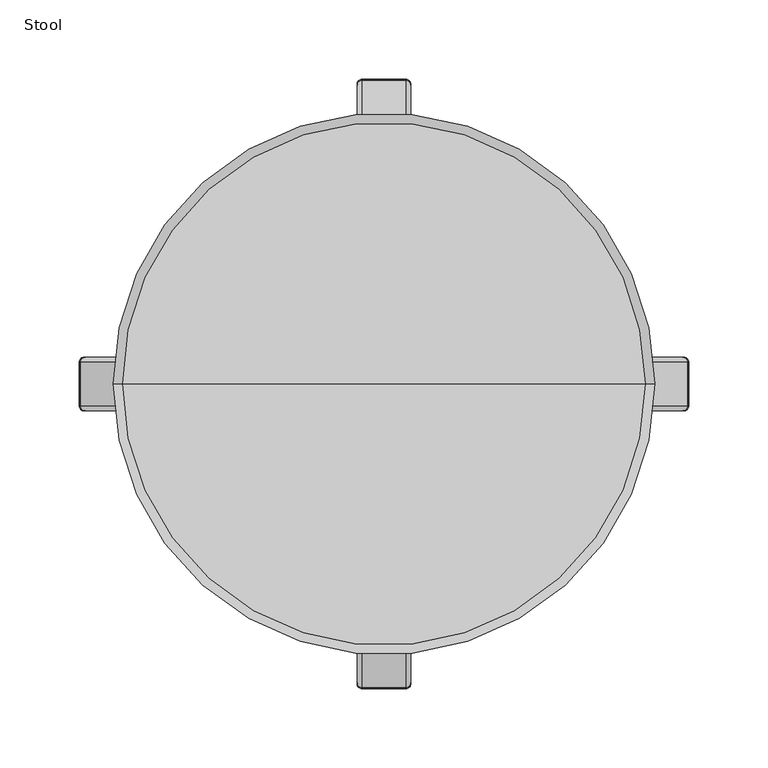
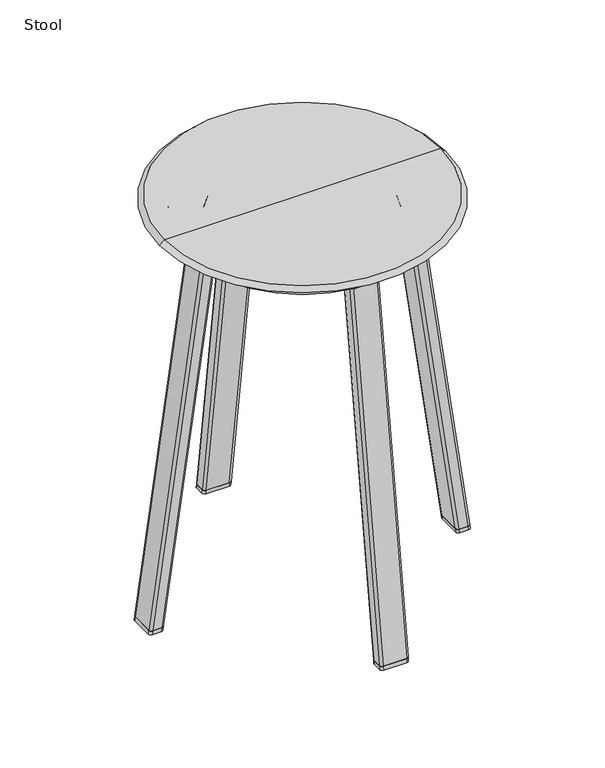
"""IFC4 building model written with IfcOpenShell, lengths in millimetres: furniture geometry, Stool."""

from ifc_helpers import new_model, si_unit, point, frame, origin, place, context, project, spatial, polyline, circle_curve, ellipse_curve, trimmed, source, transform, mapped, element, save
from ifc_brep_helpers import plane_surface, cylinder_surface, revolved_surface, extruded_surface, advanced_brep


def stool_6dc8def7(model_context):
    return source(origin(), model_context, "Body", "AdvancedBrep", [
        advanced_brep(
        [(-175.25228, -13.7705668, 0.0), (-178.4821246, -17.0004114, 0.0), (-189.2956665, -17.0004114, 0.0), (-192.4322437, -13.8638342, 0.0), (-192.4322437, 13.8638342, 0.0), (-189.2956665, 17.0004114, 0.0), (-178.4821246, 17.0004114, 0.0), (-175.25228, 13.7705668, 0.0), (-174.6401717, -13.7705668, 4.4892461), (-174.6401717, 13.7705668, 4.4892461), (-177.8700163, 17.0004114, 4.4892461), (-188.6835582, 17.0004114, 4.4892461), (-191.8201353, 13.8638342, 4.4892461), (-191.8201353, -13.8638342, 4.4892461), (-188.6835582, -17.0004114, 4.4892461), (-177.8700163, -17.0004114, 4.4892461)],
        [
            (0, 1, circle_curve(frame((-178.4821246, -13.7705668, 0.0), z_axis=(0.0, 0.0, -1.0), x_axis=(1.0, 0.0, 0.0)), 3.2298446)),
            (1, 2),
            (2, 3, circle_curve(frame((-189.2956665, -13.8638342, 0.0), z_axis=(0.0, 0.0, -1.0), x_axis=(1.0, 0.0, 0.0)), 3.1365771)),
            (3, 4),
            (4, 5, circle_curve(frame((-189.2956665, 13.8638342, 0.0), z_axis=(0.0, 0.0, -1.0), x_axis=(1.0, 0.0, 0.0)), 3.1365771)),
            (5, 6),
            (6, 7, circle_curve(frame((-178.4821246, 13.7705668, 0.0), z_axis=(0.0, 0.0, -1.0), x_axis=(1.0, 0.0, 0.0)), 3.2298446)),
            (7, 0),
            (8, 9),
            (9, 10, circle_curve(frame((-177.8700163, 13.7705668, 4.4892461), z_axis=(0.0, 0.0, 1.0), x_axis=(1.0, 0.0, 0.0)), 3.2298446)),
            (10, 11),
            (11, 12, circle_curve(frame((-188.6835582, 13.8638342, 4.4892461), z_axis=(0.0, 0.0, 1.0), x_axis=(1.0, 0.0, 0.0)), 3.1365771)),
            (12, 13),
            (13, 14, circle_curve(frame((-188.6835582, -13.8638342, 4.4892461), z_axis=(0.0, 0.0, 1.0), x_axis=(1.0, 0.0, 0.0)), 3.1365771)),
            (14, 15),
            (15, 8, circle_curve(frame((-177.8700163, -13.7705668, 4.4892461), z_axis=(0.0, 0.0, 1.0), x_axis=(1.0, 0.0, 0.0)), 3.2298446)),
            (7, 9),
            (8, 0),
            (6, 10),
            (5, 11),
            (4, 12),
            (3, 13),
            (2, 14),
            (1, 15),
        ],
        [
            plane_surface(frame((-183.8655787, 0.0, 0.0), z_axis=(0.0, 0.0, -1.0), x_axis=(-1.0, 0.0, 0.0))),
            plane_surface(frame((-183.2534704, 0.0, 4.4892461), z_axis=(0.0, 0.0, 1.0), x_axis=(-1.0, 0.0, 0.0))),
            plane_surface(frame((-174.6401717, 0.0, 4.4892461), z_axis=(0.9908319872190948, 0.0, -0.13509986344722733), x_axis=(0.0, -1.0, 0.0))),
            extruded_surface(trimmed(circle_curve(frame((-177.8700163, 13.7705668, 4.4892461), z_axis=(0.0, 0.0, -1.0), x_axis=(1.0, 0.0, 0.0)), 3.2298446), [point((-177.8700163, 17.0004114, 4.4892461))], [point((-174.6401717, 13.7705668, 4.4892461))], True, "CARTESIAN"), (-0.6121082999999885, 0.0, -4.4892461), 4.5307843821234846),
            plane_surface(frame((-183.2767872, 17.0004114, 4.4892461), z_axis=(0.0, 1.0, 0.0), x_axis=(1.0, 0.0, 0.0))),
            extruded_surface(trimmed(circle_curve(frame((-188.6835582, 13.8638342, 4.4892461), z_axis=(0.0, 0.0, -1.0), x_axis=(1.0, 0.0, 0.0)), 3.1365771), [point((-191.8201353, 13.8638342, 4.4892461))], [point((-188.6835582, 17.0004114, 4.4892461))], True, "CARTESIAN"), (-0.6121083000000169, 0.0, -4.4892461), 4.530784382123488),
            plane_surface(frame((-191.8201353, 0.0, 4.4892461), z_axis=(-0.9908319872190948, 0.0, 0.13509986344722733), x_axis=(0.0, 1.0, 0.0))),
            extruded_surface(trimmed(circle_curve(frame((-188.6835582, -13.8638342, 4.4892461), z_axis=(0.0, 0.0, -1.0), x_axis=(1.0, 0.0, 0.0)), 3.1365771), [point((-188.6835582, -17.0004114, 4.4892461))], [point((-191.8201353, -13.8638342, 4.4892461))], True, "CARTESIAN"), (-0.6121083000000169, 0.0, -4.4892461), 4.530784382123488),
            plane_surface(frame((-183.2767872, -17.0004114, 4.4892461), z_axis=(0.0, -1.0, 0.0), x_axis=(-1.0, 0.0, 0.0))),
            extruded_surface(trimmed(circle_curve(frame((-177.8700163, -13.7705668, 4.4892461), z_axis=(0.0, 0.0, -1.0), x_axis=(1.0, 0.0, 0.0)), 3.2298446), [point((-174.6401717, -13.7705668, 4.4892461))], [point((-177.8700163, -17.0004114, 4.4892461))], True, "CARTESIAN"), (-0.6121082999999885, 0.0, -4.4892461), 4.5307843821234846),
        ],
        [
            (0, [[1, 2, 3, 4, 5, 6, 7, 8]]),
            (1, [[9, 10, 11, 12, 13, 14, 15, 16]]),
            (2, [[-8, 17, -9, 18]]),
            (3, [[-7, 19, -10, -17]]),
            (4, [[-6, 20, -11, -19]]),
            (5, [[-5, 21, -12, -20]]),
            (6, [[-4, 22, -13, -21]]),
            (7, [[-3, 23, -14, -22]]),
            (8, [[-2, 24, -15, -23]]),
            (9, [[-1, -18, -16, -24]]),
        ],
    ),
        advanced_brep(
        [(13.7705668, 175.25228, 0.0), (-13.7705668, 175.25228, 0.0), (-17.0004114, 178.4821246, 0.0), (-17.0004114, 189.2956665, 0.0), (-13.8638342, 192.4322437, 0.0), (13.8638342, 192.4322437, 0.0), (17.0004114, 189.2956665, 0.0), (17.0004114, 178.4821246, 0.0), (13.7705668, 174.6401717, 4.4892461), (17.0004114, 177.8700163, 4.4892461), (17.0004114, 188.6835582, 4.4892461), (13.8638342, 191.8201353, 4.4892461), (-13.8638342, 191.8201353, 4.4892461), (-17.0004114, 188.6835582, 4.4892461), (-17.0004114, 177.8700163, 4.4892461), (-13.7705668, 174.6401717, 4.4892461)],
        [
            (0, 1),
            (1, 2, circle_curve(frame((-13.7705668, 178.4821246, 0.0), z_axis=(0.0, 0.0, -1.0), x_axis=(0.0, -1.0, 0.0)), 3.2298446)),
            (2, 3),
            (3, 4, circle_curve(frame((-13.8638342, 189.2956665, 0.0), z_axis=(0.0, 0.0, -1.0), x_axis=(0.0, -1.0, 0.0)), 3.1365771)),
            (4, 5),
            (5, 6, circle_curve(frame((13.8638342, 189.2956665, 0.0), z_axis=(0.0, 0.0, -1.0), x_axis=(0.0, -1.0, 0.0)), 3.1365771)),
            (6, 7),
            (7, 0, circle_curve(frame((13.7705668, 178.4821246, 0.0), z_axis=(0.0, 0.0, -1.0), x_axis=(0.0, -1.0, 0.0)), 3.2298446)),
            (8, 9, circle_curve(frame((13.7705668, 177.8700163, 4.4892461), z_axis=(0.0, 0.0, 1.0), x_axis=(0.0, -1.0, 0.0)), 3.2298446)),
            (9, 10),
            (10, 11, circle_curve(frame((13.8638342, 188.6835582, 4.4892461), z_axis=(0.0, 0.0, 1.0), x_axis=(0.0, -1.0, 0.0)), 3.1365771)),
            (11, 12),
            (12, 13, circle_curve(frame((-13.8638342, 188.6835582, 4.4892461), z_axis=(0.0, 0.0, 1.0), x_axis=(0.0, -1.0, 0.0)), 3.1365771)),
            (13, 14),
            (14, 15, circle_curve(frame((-13.7705668, 177.8700163, 4.4892461), z_axis=(0.0, 0.0, 1.0), x_axis=(0.0, -1.0, 0.0)), 3.2298446)),
            (15, 8),
            (0, 8),
            (15, 1),
            (14, 2),
            (13, 3),
            (12, 4),
            (11, 5),
            (10, 6),
            (9, 7),
        ],
        [
            plane_surface(frame((0.0, 183.8655787, 0.0), z_axis=(0.0, 0.0, -1.0), x_axis=(0.0, -1.0, 0.0))),
            plane_surface(frame((0.0, 183.2534704, 4.4892461), z_axis=(0.0, 0.0, 1.0), x_axis=(0.0, -1.0, 0.0))),
            plane_surface(frame((0.0, 174.6401717, 4.4892461), z_axis=(0.0, -0.9908319872190948, -0.13509986344722733), x_axis=(-1.0, 0.0, 0.0))),
            extruded_surface(trimmed(circle_curve(frame((-13.7705668, 177.8700163, 4.4892461), z_axis=(0.0, 0.0, -1.0), x_axis=(0.0, -1.0, 0.0)), 3.2298446), [point((-13.7705668, 174.6401717, 4.4892461))], [point((-17.0004114, 177.8700163, 4.4892461))], True, "CARTESIAN"), (0.0, 0.6121082999999885, -4.4892461), 4.5307843821234846),
            plane_surface(frame((-17.0004114, 183.2767872, 4.4892461), z_axis=(-1.0, 0.0, 0.0), x_axis=(0.0, 1.0, 0.0))),
            extruded_surface(trimmed(circle_curve(frame((-13.8638342, 188.6835582, 4.4892461), z_axis=(0.0, 0.0, -1.0), x_axis=(0.0, -1.0, 0.0)), 3.1365771), [point((-17.0004114, 188.6835582, 4.4892461))], [point((-13.8638342, 191.8201353, 4.4892461))], True, "CARTESIAN"), (0.0, 0.6121083000000169, -4.4892461), 4.530784382123488),
            plane_surface(frame((0.0, 191.8201353, 4.4892461), z_axis=(0.0, 0.9908319872190948, 0.13509986344722733), x_axis=(1.0, 0.0, 0.0))),
            extruded_surface(trimmed(circle_curve(frame((13.8638342, 188.6835582, 4.4892461), z_axis=(0.0, 0.0, -1.0), x_axis=(0.0, -1.0, 0.0)), 3.1365771), [point((13.8638342, 191.8201353, 4.4892461))], [point((17.0004114, 188.6835582, 4.4892461))], True, "CARTESIAN"), (0.0, 0.6121083000000169, -4.4892461), 4.530784382123488),
            plane_surface(frame((17.0004114, 183.2767872, 4.4892461), z_axis=(1.0, 0.0, 0.0), x_axis=(0.0, -1.0, 0.0))),
            extruded_surface(trimmed(circle_curve(frame((13.7705668, 177.8700163, 4.4892461), z_axis=(0.0, 0.0, -1.0), x_axis=(0.0, -1.0, 0.0)), 3.2298446), [point((17.0004114, 177.8700163, 4.4892461))], [point((13.7705668, 174.6401717, 4.4892461))], True, "CARTESIAN"), (0.0, 0.6121082999999885, -4.4892461), 4.5307843821234846),
        ],
        [
            (0, [[1, 2, 3, 4, 5, 6, 7, 8]]),
            (1, [[9, 10, 11, 12, 13, 14, 15, 16]]),
            (2, [[-1, 17, -16, 18]]),
            (3, [[-2, -18, -15, 19]]),
            (4, [[-3, -19, -14, 20]]),
            (5, [[-4, -20, -13, 21]]),
            (6, [[-5, -21, -12, 22]]),
            (7, [[-6, -22, -11, 23]]),
            (8, [[-7, -23, -10, 24]]),
            (9, [[-8, -24, -9, -17]]),
        ],
    ),
        advanced_brep(
        [(13.7705668, -175.25228, 0.0), (17.0004114, -178.4821246, 0.0), (17.0004114, -189.2956665, 0.0), (13.8638342, -192.4322437, 0.0), (-13.8638342, -192.4322437, 0.0), (-17.0004114, -189.2956665, 0.0), (-17.0004114, -178.4821246, 0.0), (-13.7705668, -175.25228, 0.0), (13.7705668, -174.6401717, 4.4892461), (-13.7705668, -174.6401717, 4.4892461), (-17.0004114, -177.8700163, 4.4892461), (-17.0004114, -188.6835582, 4.4892461), (-13.8638342, -191.8201353, 4.4892461), (13.8638342, -191.8201353, 4.4892461), (17.0004114, -188.6835582, 4.4892461), (17.0004114, -177.8700163, 4.4892461)],
        [
            (0, 1, circle_curve(frame((13.7705668, -178.4821246, 0.0), z_axis=(0.0, 0.0, -1.0), x_axis=(0.0, 1.0, 0.0)), 3.2298446)),
            (1, 2),
            (2, 3, circle_curve(frame((13.8638342, -189.2956665, 0.0), z_axis=(0.0, 0.0, -1.0), x_axis=(0.0, 1.0, 0.0)), 3.1365771)),
            (3, 4),
            (4, 5, circle_curve(frame((-13.8638342, -189.2956665, 0.0), z_axis=(0.0, 0.0, -1.0), x_axis=(0.0, 1.0, 0.0)), 3.1365771)),
            (5, 6),
            (6, 7, circle_curve(frame((-13.7705668, -178.4821246, 0.0), z_axis=(0.0, 0.0, -1.0), x_axis=(0.0, 1.0, 0.0)), 3.2298446)),
            (7, 0),
            (8, 9),
            (9, 10, circle_curve(frame((-13.7705668, -177.8700163, 4.4892461), z_axis=(0.0, 0.0, 1.0), x_axis=(0.0, 1.0, 0.0)), 3.2298446)),
            (10, 11),
            (11, 12, circle_curve(frame((-13.8638342, -188.6835582, 4.4892461), z_axis=(0.0, 0.0, 1.0), x_axis=(0.0, 1.0, 0.0)), 3.1365771)),
            (12, 13),
            (13, 14, circle_curve(frame((13.8638342, -188.6835582, 4.4892461), z_axis=(0.0, 0.0, 1.0), x_axis=(0.0, 1.0, 0.0)), 3.1365771)),
            (14, 15),
            (15, 8, circle_curve(frame((13.7705668, -177.8700163, 4.4892461), z_axis=(0.0, 0.0, 1.0), x_axis=(0.0, 1.0, 0.0)), 3.2298446)),
            (7, 9),
            (8, 0),
            (6, 10),
            (5, 11),
            (4, 12),
            (3, 13),
            (2, 14),
            (1, 15),
        ],
        [
            plane_surface(frame((0.0, -183.8655787, 0.0), z_axis=(0.0, 0.0, -1.0), x_axis=(0.0, -1.0, 0.0))),
            plane_surface(frame((0.0, -183.2534704, 4.4892461), z_axis=(0.0, 0.0, 1.0), x_axis=(0.0, -1.0, 0.0))),
            plane_surface(frame((0.0, -174.6401717, 4.4892461), z_axis=(0.0, 0.9908319872190948, -0.13509986344722733), x_axis=(1.0, 0.0, 0.0))),
            extruded_surface(trimmed(circle_curve(frame((-13.7705668, -177.8700163, 4.4892461), z_axis=(0.0, 0.0, -1.0), x_axis=(0.0, 1.0, 0.0)), 3.2298446), [point((-17.0004114, -177.8700163, 4.4892461))], [point((-13.7705668, -174.6401717, 4.4892461))], True, "CARTESIAN"), (0.0, -0.6121082999999885, -4.4892461), 4.5307843821234846),
            plane_surface(frame((-17.0004114, -183.2767872, 4.4892461), z_axis=(-1.0, 0.0, 0.0), x_axis=(0.0, 1.0, 0.0))),
            extruded_surface(trimmed(circle_curve(frame((-13.8638342, -188.6835582, 4.4892461), z_axis=(0.0, 0.0, -1.0), x_axis=(0.0, 1.0, 0.0)), 3.1365771), [point((-13.8638342, -191.8201353, 4.4892461))], [point((-17.0004114, -188.6835582, 4.4892461))], True, "CARTESIAN"), (0.0, -0.6121083000000169, -4.4892461), 4.530784382123488),
            plane_surface(frame((0.0, -191.8201353, 4.4892461), z_axis=(0.0, -0.9908319872190948, 0.13509986344722733), x_axis=(-1.0, 0.0, 0.0))),
            extruded_surface(trimmed(circle_curve(frame((13.8638342, -188.6835582, 4.4892461), z_axis=(0.0, 0.0, -1.0), x_axis=(0.0, 1.0, 0.0)), 3.1365771), [point((17.0004114, -188.6835582, 4.4892461))], [point((13.8638342, -191.8201353, 4.4892461))], True, "CARTESIAN"), (0.0, -0.6121083000000169, -4.4892461), 4.530784382123488),
            plane_surface(frame((17.0004114, -183.2767872, 4.4892461), z_axis=(1.0, 0.0, 0.0), x_axis=(0.0, -1.0, 0.0))),
            extruded_surface(trimmed(circle_curve(frame((13.7705668, -177.8700163, 4.4892461), z_axis=(0.0, 0.0, -1.0), x_axis=(0.0, 1.0, 0.0)), 3.2298446), [point((13.7705668, -174.6401717, 4.4892461))], [point((17.0004114, -177.8700163, 4.4892461))], True, "CARTESIAN"), (0.0, -0.6121082999999885, -4.4892461), 4.5307843821234846),
        ],
        [
            (0, [[1, 2, 3, 4, 5, 6, 7, 8]]),
            (1, [[9, 10, 11, 12, 13, 14, 15, 16]]),
            (2, [[-8, 17, -9, 18]]),
            (3, [[-7, 19, -10, -17]]),
            (4, [[-6, 20, -11, -19]]),
            (5, [[-5, 21, -12, -20]]),
            (6, [[-4, 22, -13, -21]]),
            (7, [[-3, 23, -14, -22]]),
            (8, [[-2, 24, -15, -23]]),
            (9, [[-1, -18, -16, -24]]),
        ],
    ),
        advanced_brep(
        [(175.25228, -13.7705668, 0.0), (175.25228, 13.7705668, 0.0), (178.4821246, 17.0004114, 0.0), (189.2956665, 17.0004114, 0.0), (192.4322437, 13.8638342, 0.0), (192.4322437, -13.8638342, 0.0), (189.2956665, -17.0004114, 0.0), (178.4821246, -17.0004114, 0.0), (174.6401717, -13.7705668, 4.4892461), (177.8700163, -17.0004114, 4.4892461), (188.6835582, -17.0004114, 4.4892461), (191.8201353, -13.8638342, 4.4892461), (191.8201353, 13.8638342, 4.4892461), (188.6835582, 17.0004114, 4.4892461), (177.8700163, 17.0004114, 4.4892461), (174.6401717, 13.7705668, 4.4892461)],
        [
            (0, 1),
            (1, 2, circle_curve(frame((178.4821246, 13.7705668, 0.0), z_axis=(0.0, 0.0, -1.0), x_axis=(-1.0, 0.0, 0.0)), 3.2298446)),
            (2, 3),
            (3, 4, circle_curve(frame((189.2956665, 13.8638342, 0.0), z_axis=(0.0, 0.0, -1.0), x_axis=(-1.0, 0.0, 0.0)), 3.1365771)),
            (4, 5),
            (5, 6, circle_curve(frame((189.2956665, -13.8638342, 0.0), z_axis=(0.0, 0.0, -1.0), x_axis=(-1.0, 0.0, 0.0)), 3.1365771)),
            (6, 7),
            (7, 0, circle_curve(frame((178.4821246, -13.7705668, 0.0), z_axis=(0.0, 0.0, -1.0), x_axis=(-1.0, 0.0, 0.0)), 3.2298446)),
            (8, 9, circle_curve(frame((177.8700163, -13.7705668, 4.4892461), z_axis=(0.0, 0.0, 1.0), x_axis=(-1.0, 0.0, 0.0)), 3.2298446)),
            (9, 10),
            (10, 11, circle_curve(frame((188.6835582, -13.8638342, 4.4892461), z_axis=(0.0, 0.0, 1.0), x_axis=(-1.0, 0.0, 0.0)), 3.1365771)),
            (11, 12),
            (12, 13, circle_curve(frame((188.6835582, 13.8638342, 4.4892461), z_axis=(0.0, 0.0, 1.0), x_axis=(-1.0, 0.0, 0.0)), 3.1365771)),
            (13, 14),
            (14, 15, circle_curve(frame((177.8700163, 13.7705668, 4.4892461), z_axis=(0.0, 0.0, 1.0), x_axis=(-1.0, 0.0, 0.0)), 3.2298446)),
            (15, 8),
            (0, 8),
            (15, 1),
            (14, 2),
            (13, 3),
            (12, 4),
            (11, 5),
            (10, 6),
            (9, 7),
        ],
        [
            plane_surface(frame((183.8655787, 0.0, 0.0), z_axis=(0.0, 0.0, -1.0), x_axis=(-1.0, 0.0, 0.0))),
            plane_surface(frame((183.2534704, 0.0, 4.4892461), z_axis=(0.0, 0.0, 1.0), x_axis=(-1.0, 0.0, 0.0))),
            plane_surface(frame((174.6401717, 0.0, 4.4892461), z_axis=(-0.9908319872190948, 0.0, -0.13509986344722733), x_axis=(0.0, 1.0, 0.0))),
            extruded_surface(trimmed(circle_curve(frame((177.8700163, 13.7705668, 4.4892461), z_axis=(0.0, 0.0, -1.0), x_axis=(-1.0, 0.0, 0.0)), 3.2298446), [point((174.6401717, 13.7705668, 4.4892461))], [point((177.8700163, 17.0004114, 4.4892461))], True, "CARTESIAN"), (0.6121082999999885, 0.0, -4.4892461), 4.5307843821234846),
            plane_surface(frame((183.2767872, 17.0004114, 4.4892461), z_axis=(0.0, 1.0, 0.0), x_axis=(1.0, 0.0, 0.0))),
            extruded_surface(trimmed(circle_curve(frame((188.6835582, 13.8638342, 4.4892461), z_axis=(0.0, 0.0, -1.0), x_axis=(-1.0, 0.0, 0.0)), 3.1365771), [point((188.6835582, 17.0004114, 4.4892461))], [point((191.8201353, 13.8638342, 4.4892461))], True, "CARTESIAN"), (0.6121083000000169, 0.0, -4.4892461), 4.530784382123488),
            plane_surface(frame((191.8201353, 0.0, 4.4892461), z_axis=(0.9908319872190948, 0.0, 0.13509986344722733), x_axis=(0.0, -1.0, 0.0))),
            extruded_surface(trimmed(circle_curve(frame((188.6835582, -13.8638342, 4.4892461), z_axis=(0.0, 0.0, -1.0), x_axis=(-1.0, 0.0, 0.0)), 3.1365771), [point((191.8201353, -13.8638342, 4.4892461))], [point((188.6835582, -17.0004114, 4.4892461))], True, "CARTESIAN"), (0.6121083000000169, 0.0, -4.4892461), 4.530784382123488),
            plane_surface(frame((183.2767872, -17.0004114, 4.4892461), z_axis=(0.0, -1.0, 0.0), x_axis=(-1.0, 0.0, 0.0))),
            extruded_surface(trimmed(circle_curve(frame((177.8700163, -13.7705668, 4.4892461), z_axis=(0.0, 0.0, -1.0), x_axis=(-1.0, 0.0, 0.0)), 3.2298446), [point((177.8700163, -17.0004114, 4.4892461))], [point((174.6401717, -13.7705668, 4.4892461))], True, "CARTESIAN"), (0.6121082999999885, 0.0, -4.4892461), 4.5307843821234846),
        ],
        [
            (0, [[1, 2, 3, 4, 5, 6, 7, 8]]),
            (1, [[9, 10, 11, 12, 13, 14, 15, 16]]),
            (2, [[-1, 17, -16, 18]]),
            (3, [[-2, -18, -15, 19]]),
            (4, [[-3, -19, -14, 20]]),
            (5, [[-4, -20, -13, 21]]),
            (6, [[-5, -21, -12, 22]]),
            (7, [[-6, -22, -11, 23]]),
            (8, [[-7, -23, -10, 24]]),
            (9, [[-8, -24, -9, -17]]),
        ],
    ),
        advanced_brep(
        [(-115.5415666, 17.0004114, 447.9415172), (-126.3551085, 17.0004114, 447.9415172), (-129.4916856, 13.8638342, 447.9415172), (-129.4916856, -13.8638342, 447.9415172), (-126.3551085, -17.0004114, 447.9415172), (-115.5415666, -17.0004114, 447.9415172), (-112.311722, -13.7705668, 447.9415172), (-112.311722, 13.7705668, 447.9415172), (-177.8700163, 17.0004114, 4.4892461), (-174.6401717, 13.7705668, 4.4892461), (-174.6401717, -13.7705668, 4.4892461), (-177.8700163, -17.0004114, 4.4892461), (-188.6835582, -17.0004114, 4.4892461), (-191.8201353, -13.8638342, 4.4892461), (-191.8201353, 13.8638342, 4.4892461), (-188.6835582, 17.0004114, 4.4892461)],
        [
            (0, 1),
            (1, 2, circle_curve(frame((-126.3551085, 13.8638342, 447.9415172), z_axis=(0.0, 0.0, 1.0), x_axis=(1.0, 0.0, 0.0)), 3.1365771)),
            (2, 3),
            (3, 4, circle_curve(frame((-126.3551085, -13.8638342, 447.9415172), z_axis=(0.0, 0.0, 1.0), x_axis=(1.0, 0.0, 0.0)), 3.1365771)),
            (4, 5),
            (5, 6, circle_curve(frame((-115.5415666, -13.7705668, 447.9415172), z_axis=(0.0, 0.0, 1.0), x_axis=(1.0, 0.0, 0.0)), 3.2298446)),
            (6, 7),
            (7, 0, circle_curve(frame((-115.5415666, 13.7705668, 447.9415172), z_axis=(0.0, 0.0, 1.0), x_axis=(1.0, 0.0, 0.0)), 3.2298446)),
            (8, 9, circle_curve(frame((-177.8700163, 13.7705668, 4.4892461), z_axis=(0.0, 0.0, -1.0), x_axis=(1.0, 0.0, 0.0)), 3.2298446)),
            (9, 10),
            (10, 11, circle_curve(frame((-177.8700163, -13.7705668, 4.4892461), z_axis=(0.0, 0.0, -1.0), x_axis=(1.0, 0.0, 0.0)), 3.2298446)),
            (11, 12),
            (12, 13, circle_curve(frame((-188.6835582, -13.8638342, 4.4892461), z_axis=(0.0, 0.0, -1.0), x_axis=(1.0, 0.0, 0.0)), 3.1365771)),
            (13, 14),
            (14, 15, circle_curve(frame((-188.6835582, 13.8638342, 4.4892461), z_axis=(0.0, 0.0, -1.0), x_axis=(1.0, 0.0, 0.0)), 3.1365771)),
            (15, 8),
            (0, 8),
            (15, 1),
            (14, 2),
            (13, 3),
            (12, 4),
            (11, 5),
            (10, 6),
            (9, 7),
        ],
        [
            plane_surface(frame((-120.9250207, 0.0, 447.9415172), z_axis=(0.0, 0.0, 1.0), x_axis=(-1.0, 0.0, 0.0))),
            plane_surface(frame((-183.2534704, 0.0, 4.4892461), z_axis=(0.0, 0.0, -1.0), x_axis=(-1.0, 0.0, 0.0))),
            plane_surface(frame((-183.2767872, 17.0004114, 4.4892461), z_axis=(0.0, 1.0, 0.0), x_axis=(-1.0, 0.0, 0.0))),
            extruded_surface(trimmed(circle_curve(frame((-188.6835582, 13.8638342, 4.4892461), z_axis=(0.0, 0.0, 1.0), x_axis=(1.0, 0.0, 0.0)), 3.1365771), [point((-188.6835582, 17.0004114, 4.4892461))], [point((-191.8201353, 13.8638342, 4.4892461))], True, "CARTESIAN"), (62.32844969999999, 0.0, 443.4522711), 447.8110677347684),
            plane_surface(frame((-191.8201353, 0.0, 4.4892461), z_axis=(-0.9902664383584939, 0.0, 0.13918470124544258), x_axis=(0.0, -1.0, 0.0))),
            extruded_surface(trimmed(circle_curve(frame((-188.6835582, -13.8638342, 4.4892461), z_axis=(0.0, 0.0, 1.0), x_axis=(1.0, 0.0, 0.0)), 3.1365771), [point((-191.8201353, -13.8638342, 4.4892461))], [point((-188.6835582, -17.0004114, 4.4892461))], True, "CARTESIAN"), (62.32844969999999, 0.0, 443.4522711), 447.8110677347684),
            plane_surface(frame((-183.2767872, -17.0004114, 4.4892461), z_axis=(0.0, -1.0, 0.0), x_axis=(1.0, 0.0, 0.0))),
            extruded_surface(trimmed(circle_curve(frame((-177.8700163, -13.7705668, 4.4892461), z_axis=(0.0, 0.0, 1.0), x_axis=(1.0, 0.0, 0.0)), 3.2298446), [point((-177.8700163, -17.0004114, 4.4892461))], [point((-174.6401717, -13.7705668, 4.4892461))], True, "CARTESIAN"), (62.32844970000001, 0.0, 443.4522711), 447.8110677347684),
            plane_surface(frame((-174.6401717, 0.0, 4.4892461), z_axis=(0.9902664383584939, 0.0, -0.13918470124544258), x_axis=(0.0, 1.0, 0.0))),
            extruded_surface(trimmed(circle_curve(frame((-177.8700163, 13.7705668, 4.4892461), z_axis=(0.0, 0.0, 1.0), x_axis=(1.0, 0.0, 0.0)), 3.2298446), [point((-174.6401717, 13.7705668, 4.4892461))], [point((-177.8700163, 17.0004114, 4.4892461))], True, "CARTESIAN"), (62.32844970000001, 0.0, 443.4522711), 447.8110677347684),
        ],
        [
            (0, [[1, 2, 3, 4, 5, 6, 7, 8]]),
            (1, [[9, 10, 11, 12, 13, 14, 15, 16]]),
            (2, [[-1, 17, -16, 18]]),
            (3, [[-2, -18, -15, 19]]),
            (4, [[-3, -19, -14, 20]]),
            (5, [[-4, -20, -13, 21]]),
            (6, [[-5, -21, -12, 22]]),
            (7, [[-6, -22, -11, 23]]),
            (8, [[-7, -23, -10, 24]]),
            (9, [[-8, -24, -9, -17]]),
        ],
    ),
        advanced_brep(
        [(-17.0004114, 115.5415666, 447.9415172), (-13.7705668, 112.311722, 447.9415172), (13.7705668, 112.311722, 447.9415172), (17.0004114, 115.5415666, 447.9415172), (17.0004114, 126.3551085, 447.9415172), (13.8638342, 129.4916856, 447.9415172), (-13.8638342, 129.4916856, 447.9415172), (-17.0004114, 126.3551085, 447.9415172), (-17.0004114, 177.8700163, 4.4892461), (-17.0004114, 188.6835582, 4.4892461), (-13.8638342, 191.8201353, 4.4892461), (13.8638342, 191.8201353, 4.4892461), (17.0004114, 188.6835582, 4.4892461), (17.0004114, 177.8700163, 4.4892461), (13.7705668, 174.6401717, 4.4892461), (-13.7705668, 174.6401717, 4.4892461)],
        [
            (0, 1, circle_curve(frame((-13.7705668, 115.5415666, 447.9415172), z_axis=(0.0, 0.0, 1.0), x_axis=(0.0, -1.0, 0.0)), 3.2298446)),
            (1, 2),
            (2, 3, circle_curve(frame((13.7705668, 115.5415666, 447.9415172), z_axis=(0.0, 0.0, 1.0), x_axis=(0.0, -1.0, 0.0)), 3.2298446)),
            (3, 4),
            (4, 5, circle_curve(frame((13.8638342, 126.3551085, 447.9415172), z_axis=(0.0, 0.0, 1.0), x_axis=(0.0, -1.0, 0.0)), 3.1365771)),
            (5, 6),
            (6, 7, circle_curve(frame((-13.8638342, 126.3551085, 447.9415172), z_axis=(0.0, 0.0, 1.0), x_axis=(0.0, -1.0, 0.0)), 3.1365771)),
            (7, 0),
            (8, 9),
            (9, 10, circle_curve(frame((-13.8638342, 188.6835582, 4.4892461), z_axis=(0.0, 0.0, -1.0), x_axis=(0.0, -1.0, 0.0)), 3.1365771)),
            (10, 11),
            (11, 12, circle_curve(frame((13.8638342, 188.6835582, 4.4892461), z_axis=(0.0, 0.0, -1.0), x_axis=(0.0, -1.0, 0.0)), 3.1365771)),
            (12, 13),
            (13, 14, circle_curve(frame((13.7705668, 177.8700163, 4.4892461), z_axis=(0.0, 0.0, -1.0), x_axis=(0.0, -1.0, 0.0)), 3.2298446)),
            (14, 15),
            (15, 8, circle_curve(frame((-13.7705668, 177.8700163, 4.4892461), z_axis=(0.0, 0.0, -1.0), x_axis=(0.0, -1.0, 0.0)), 3.2298446)),
            (7, 9),
            (8, 0),
            (6, 10),
            (5, 11),
            (4, 12),
            (3, 13),
            (2, 14),
            (1, 15),
        ],
        [
            plane_surface(frame((0.0, 120.9250207, 447.9415172), z_axis=(0.0, 0.0, 1.0), x_axis=(0.0, -1.0, 0.0))),
            plane_surface(frame((0.0, 183.2534704, 4.4892461), z_axis=(0.0, 0.0, -1.0), x_axis=(0.0, -1.0, 0.0))),
            plane_surface(frame((-17.0004114, 183.2767872, 4.4892461), z_axis=(-1.0, 0.0, 0.0), x_axis=(0.0, -1.0, 0.0))),
            extruded_surface(trimmed(circle_curve(frame((-13.8638342, 188.6835582, 4.4892461), z_axis=(0.0, 0.0, 1.0), x_axis=(0.0, -1.0, 0.0)), 3.1365771), [point((-13.8638342, 191.8201353, 4.4892461))], [point((-17.0004114, 188.6835582, 4.4892461))], True, "CARTESIAN"), (0.0, -62.32844969999999, 443.4522711), 447.8110677347684),
            plane_surface(frame((0.0, 191.8201353, 4.4892461), z_axis=(0.0, 0.9902664383584949, 0.1391847012454363), x_axis=(-1.0, 0.0, 0.0))),
            extruded_surface(trimmed(circle_curve(frame((13.8638342, 188.6835582, 4.4892461), z_axis=(0.0, 0.0, 1.0), x_axis=(0.0, -1.0, 0.0)), 3.1365771), [point((17.0004114, 188.6835582, 4.4892461))], [point((13.8638342, 191.8201353, 4.4892461))], True, "CARTESIAN"), (0.0, -62.32844969999999, 443.4522711), 447.8110677347684),
            plane_surface(frame((17.0004114, 183.2767872, 4.4892461), z_axis=(1.0, 0.0, 0.0), x_axis=(0.0, 1.0, 0.0))),
            extruded_surface(trimmed(circle_curve(frame((13.7705668, 177.8700163, 4.4892461), z_axis=(0.0, 0.0, 1.0), x_axis=(0.0, -1.0, 0.0)), 3.2298446), [point((13.7705668, 174.6401717, 4.4892461))], [point((17.0004114, 177.8700163, 4.4892461))], True, "CARTESIAN"), (0.0, -62.32844970000001, 443.4522711), 447.8110677347684),
            plane_surface(frame((0.0, 174.6401717, 4.4892461), z_axis=(0.0, -0.9902664383584949, -0.1391847012454363), x_axis=(1.0, 0.0, 0.0))),
            extruded_surface(trimmed(circle_curve(frame((-13.7705668, 177.8700163, 4.4892461), z_axis=(0.0, 0.0, 1.0), x_axis=(0.0, -1.0, 0.0)), 3.2298446), [point((-17.0004114, 177.8700163, 4.4892461))], [point((-13.7705668, 174.6401717, 4.4892461))], True, "CARTESIAN"), (0.0, -62.32844970000001, 443.4522711), 447.8110677347684),
        ],
        [
            (0, [[1, 2, 3, 4, 5, 6, 7, 8]]),
            (1, [[9, 10, 11, 12, 13, 14, 15, 16]]),
            (2, [[-8, 17, -9, 18]]),
            (3, [[-7, 19, -10, -17]]),
            (4, [[-6, 20, -11, -19]]),
            (5, [[-5, 21, -12, -20]]),
            (6, [[-4, 22, -13, -21]]),
            (7, [[-3, 23, -14, -22]]),
            (8, [[-2, 24, -15, -23]]),
            (9, [[-1, -18, -16, -24]]),
        ],
    ),
        advanced_brep(
        [(-17.0004114, -115.5415666, 447.9415172), (-17.0004114, -126.3551085, 447.9415172), (-13.8638342, -129.4916856, 447.9415172), (13.8638342, -129.4916856, 447.9415172), (17.0004114, -126.3551085, 447.9415172), (17.0004114, -115.5415666, 447.9415172), (13.7705668, -112.311722, 447.9415172), (-13.7705668, -112.311722, 447.9415172), (-17.0004114, -177.8700163, 4.4892461), (-13.7705668, -174.6401717, 4.4892461), (13.7705668, -174.6401717, 4.4892461), (17.0004114, -177.8700163, 4.4892461), (17.0004114, -188.6835582, 4.4892461), (13.8638342, -191.8201353, 4.4892461), (-13.8638342, -191.8201353, 4.4892461), (-17.0004114, -188.6835582, 4.4892461)],
        [
            (0, 1),
            (1, 2, circle_curve(frame((-13.8638342, -126.3551085, 447.9415172), z_axis=(0.0, 0.0, 1.0), x_axis=(0.0, 1.0, 0.0)), 3.1365771)),
            (2, 3),
            (3, 4, circle_curve(frame((13.8638342, -126.3551085, 447.9415172), z_axis=(0.0, 0.0, 1.0), x_axis=(0.0, 1.0, 0.0)), 3.1365771)),
            (4, 5),
            (5, 6, circle_curve(frame((13.7705668, -115.5415666, 447.9415172), z_axis=(0.0, 0.0, 1.0), x_axis=(0.0, 1.0, 0.0)), 3.2298446)),
            (6, 7),
            (7, 0, circle_curve(frame((-13.7705668, -115.5415666, 447.9415172), z_axis=(0.0, 0.0, 1.0), x_axis=(0.0, 1.0, 0.0)), 3.2298446)),
            (8, 9, circle_curve(frame((-13.7705668, -177.8700163, 4.4892461), z_axis=(0.0, 0.0, -1.0), x_axis=(0.0, 1.0, 0.0)), 3.2298446)),
            (9, 10),
            (10, 11, circle_curve(frame((13.7705668, -177.8700163, 4.4892461), z_axis=(0.0, 0.0, -1.0), x_axis=(0.0, 1.0, 0.0)), 3.2298446)),
            (11, 12),
            (12, 13, circle_curve(frame((13.8638342, -188.6835582, 4.4892461), z_axis=(0.0, 0.0, -1.0), x_axis=(0.0, 1.0, 0.0)), 3.1365771)),
            (13, 14),
            (14, 15, circle_curve(frame((-13.8638342, -188.6835582, 4.4892461), z_axis=(0.0, 0.0, -1.0), x_axis=(0.0, 1.0, 0.0)), 3.1365771)),
            (15, 8),
            (0, 8),
            (15, 1),
            (14, 2),
            (13, 3),
            (12, 4),
            (11, 5),
            (10, 6),
            (9, 7),
        ],
        [
            plane_surface(frame((0.0, -120.9250207, 447.9415172), z_axis=(0.0, 0.0, 1.0), x_axis=(0.0, -1.0, 0.0))),
            plane_surface(frame((0.0, -183.2534704, 4.4892461), z_axis=(0.0, 0.0, -1.0), x_axis=(0.0, -1.0, 0.0))),
            plane_surface(frame((-17.0004114, -183.2767872, 4.4892461), z_axis=(-1.0, 0.0, 0.0), x_axis=(0.0, -1.0, 0.0))),
            extruded_surface(trimmed(circle_curve(frame((-13.8638342, -188.6835582, 4.4892461), z_axis=(0.0, 0.0, 1.0), x_axis=(0.0, 1.0, 0.0)), 3.1365771), [point((-17.0004114, -188.6835582, 4.4892461))], [point((-13.8638342, -191.8201353, 4.4892461))], True, "CARTESIAN"), (0.0, 62.32844969999999, 443.4522711), 447.8110677347684),
            plane_surface(frame((0.0, -191.8201353, 4.4892461), z_axis=(0.0, -0.9902664383584945, 0.1391847012454394), x_axis=(1.0, 0.0, 0.0))),
            extruded_surface(trimmed(circle_curve(frame((13.8638342, -188.6835582, 4.4892461), z_axis=(0.0, 0.0, 1.0), x_axis=(0.0, 1.0, 0.0)), 3.1365771), [point((13.8638342, -191.8201353, 4.4892461))], [point((17.0004114, -188.6835582, 4.4892461))], True, "CARTESIAN"), (0.0, 62.32844969999999, 443.4522711), 447.8110677347684),
            plane_surface(frame((17.0004114, -183.2767872, 4.4892461), z_axis=(1.0, 0.0, 0.0), x_axis=(0.0, 1.0, 0.0))),
            extruded_surface(trimmed(circle_curve(frame((13.7705668, -177.8700163, 4.4892461), z_axis=(0.0, 0.0, 1.0), x_axis=(0.0, 1.0, 0.0)), 3.2298446), [point((17.0004114, -177.8700163, 4.4892461))], [point((13.7705668, -174.6401717, 4.4892461))], True, "CARTESIAN"), (0.0, 62.32844970000001, 443.4522711), 447.8110677347684),
            plane_surface(frame((0.0, -174.6401717, 4.4892461), z_axis=(0.0, 0.9902664383584945, -0.1391847012454394), x_axis=(-1.0, 0.0, 0.0))),
            extruded_surface(trimmed(circle_curve(frame((-13.7705668, -177.8700163, 4.4892461), z_axis=(0.0, 0.0, 1.0), x_axis=(0.0, 1.0, 0.0)), 3.2298446), [point((-13.7705668, -174.6401717, 4.4892461))], [point((-17.0004114, -177.8700163, 4.4892461))], True, "CARTESIAN"), (0.0, 62.32844970000001, 443.4522711), 447.8110677347684),
        ],
        [
            (0, [[1, 2, 3, 4, 5, 6, 7, 8]]),
            (1, [[9, 10, 11, 12, 13, 14, 15, 16]]),
            (2, [[-1, 17, -16, 18]]),
            (3, [[-2, -18, -15, 19]]),
            (4, [[-3, -19, -14, 20]]),
            (5, [[-4, -20, -13, 21]]),
            (6, [[-5, -21, -12, 22]]),
            (7, [[-6, -22, -11, 23]]),
            (8, [[-7, -23, -10, 24]]),
            (9, [[-8, -24, -9, -17]]),
        ],
    ),
        advanced_brep(
        [(115.5415666, 17.0004114, 447.9415172), (112.311722, 13.7705668, 447.9415172), (112.311722, -13.7705668, 447.9415172), (115.5415666, -17.0004114, 447.9415172), (126.3551085, -17.0004114, 447.9415172), (129.4916856, -13.8638342, 447.9415172), (129.4916856, 13.8638342, 447.9415172), (126.3551085, 17.0004114, 447.9415172), (177.8700163, 17.0004114, 4.4892461), (188.6835582, 17.0004114, 4.4892461), (191.8201353, 13.8638342, 4.4892461), (191.8201353, -13.8638342, 4.4892461), (188.6835582, -17.0004114, 4.4892461), (177.8700163, -17.0004114, 4.4892461), (174.6401717, -13.7705668, 4.4892461), (174.6401717, 13.7705668, 4.4892461)],
        [
            (0, 1, circle_curve(frame((115.5415666, 13.7705668, 447.9415172), z_axis=(0.0, 0.0, 1.0), x_axis=(-1.0, 0.0, 0.0)), 3.2298446)),
            (1, 2),
            (2, 3, circle_curve(frame((115.5415666, -13.7705668, 447.9415172), z_axis=(0.0, 0.0, 1.0), x_axis=(-1.0, 0.0, 0.0)), 3.2298446)),
            (3, 4),
            (4, 5, circle_curve(frame((126.3551085, -13.8638342, 447.9415172), z_axis=(0.0, 0.0, 1.0), x_axis=(-1.0, 0.0, 0.0)), 3.1365771)),
            (5, 6),
            (6, 7, circle_curve(frame((126.3551085, 13.8638342, 447.9415172), z_axis=(0.0, 0.0, 1.0), x_axis=(-1.0, 0.0, 0.0)), 3.1365771)),
            (7, 0),
            (8, 9),
            (9, 10, circle_curve(frame((188.6835582, 13.8638342, 4.4892461), z_axis=(0.0, 0.0, -1.0), x_axis=(-1.0, 0.0, 0.0)), 3.1365771)),
            (10, 11),
            (11, 12, circle_curve(frame((188.6835582, -13.8638342, 4.4892461), z_axis=(0.0, 0.0, -1.0), x_axis=(-1.0, 0.0, 0.0)), 3.1365771)),
            (12, 13),
            (13, 14, circle_curve(frame((177.8700163, -13.7705668, 4.4892461), z_axis=(0.0, 0.0, -1.0), x_axis=(-1.0, 0.0, 0.0)), 3.2298446)),
            (14, 15),
            (15, 8, circle_curve(frame((177.8700163, 13.7705668, 4.4892461), z_axis=(0.0, 0.0, -1.0), x_axis=(-1.0, 0.0, 0.0)), 3.2298446)),
            (7, 9),
            (8, 0),
            (6, 10),
            (5, 11),
            (4, 12),
            (3, 13),
            (2, 14),
            (1, 15),
        ],
        [
            plane_surface(frame((120.9250207, 0.0, 447.9415172), z_axis=(0.0, 0.0, 1.0), x_axis=(-1.0, 0.0, 0.0))),
            plane_surface(frame((183.2534704, 0.0, 4.4892461), z_axis=(0.0, 0.0, -1.0), x_axis=(-1.0, 0.0, 0.0))),
            plane_surface(frame((183.2767872, 17.0004114, 4.4892461), z_axis=(0.0, 1.0, 0.0), x_axis=(-1.0, 0.0, 0.0))),
            extruded_surface(trimmed(circle_curve(frame((188.6835582, 13.8638342, 4.4892461), z_axis=(0.0, 0.0, 1.0), x_axis=(-1.0, 0.0, 0.0)), 3.1365771), [point((191.8201353, 13.8638342, 4.4892461))], [point((188.6835582, 17.0004114, 4.4892461))], True, "CARTESIAN"), (-62.32844969999999, 0.0, 443.4522711), 447.8110677347684),
            plane_surface(frame((191.8201353, 0.0, 4.4892461), z_axis=(0.9902664383584949, 0.0, 0.1391847012454363), x_axis=(0.0, 1.0, 0.0))),
            extruded_surface(trimmed(circle_curve(frame((188.6835582, -13.8638342, 4.4892461), z_axis=(0.0, 0.0, 1.0), x_axis=(-1.0, 0.0, 0.0)), 3.1365771), [point((188.6835582, -17.0004114, 4.4892461))], [point((191.8201353, -13.8638342, 4.4892461))], True, "CARTESIAN"), (-62.32844969999999, 0.0, 443.4522711), 447.8110677347684),
            plane_surface(frame((183.2767872, -17.0004114, 4.4892461), z_axis=(0.0, -1.0, 0.0), x_axis=(1.0, 0.0, 0.0))),
            extruded_surface(trimmed(circle_curve(frame((177.8700163, -13.7705668, 4.4892461), z_axis=(0.0, 0.0, 1.0), x_axis=(-1.0, 0.0, 0.0)), 3.2298446), [point((174.6401717, -13.7705668, 4.4892461))], [point((177.8700163, -17.0004114, 4.4892461))], True, "CARTESIAN"), (-62.32844970000001, 0.0, 443.4522711), 447.8110677347684),
            plane_surface(frame((174.6401717, 0.0, 4.4892461), z_axis=(-0.9902664383584949, 0.0, -0.1391847012454363), x_axis=(0.0, -1.0, 0.0))),
            extruded_surface(trimmed(circle_curve(frame((177.8700163, 13.7705668, 4.4892461), z_axis=(0.0, 0.0, 1.0), x_axis=(-1.0, 0.0, 0.0)), 3.2298446), [point((177.8700163, 17.0004114, 4.4892461))], [point((174.6401717, 13.7705668, 4.4892461))], True, "CARTESIAN"), (-62.32844970000001, 0.0, 443.4522711), 447.8110677347684),
        ],
        [
            (0, [[1, 2, 3, 4, 5, 6, 7, 8]]),
            (1, [[9, 10, 11, 12, 13, 14, 15, 16]]),
            (2, [[-8, 17, -9, 18]]),
            (3, [[-7, 19, -10, -17]]),
            (4, [[-6, 20, -11, -19]]),
            (5, [[-5, 21, -12, -20]]),
            (6, [[-4, 22, -13, -21]]),
            (7, [[-3, 23, -14, -22]]),
            (8, [[-2, 24, -15, -23]]),
            (9, [[-1, -18, -16, -24]]),
        ],
    ),
        advanced_brep(
        [(170.9995369, 0.0, 475.0211869), (-170.9995369, 0.0, 475.0211869), (-165.2772845, 0.0, 479.968741), (165.2772845, 0.0, 479.968741), (142.7227735, 0.0, 475.0211869), (-142.7227735, 0.0, 475.0211869), (119.2698486, 0.0, 472.1415298), (-119.2698486, 0.0, 472.1415298), (140.1463784, 0.0, 472.1415298), (-140.1463784, 0.0, 472.1415298), (140.1463784, 0.0, 458.9791429), (-140.1463784, 0.0, 458.9791429), (135.612153, 0.0, 447.9944209), (-135.612153, 0.0, 447.9944209), (110.0939406, 0.0, 447.9944209), (-110.0939406, 0.0, 447.9944209), (0.0, 0.0, 479.968741), (102.7796497, 0.0, 455.2945775), (-102.7796497, 0.0, 455.2945775), (-109.3802295, 0.0, 448.3021711), (109.3802295, 0.0, 448.3021711), (102.3222246, 0.0, 469.1081219), (-102.3222246, 0.0, 469.1081219), (-102.3222246, 0.0, 456.4455307), (102.3222246, 0.0, 456.4455307), (0.0, 0.0, 469.1081219)],
        [
            (0, 1, circle_curve(frame((0.0, 0.0, 475.0211869), z_axis=(0.0, 0.0, 1.0), x_axis=(-1.0, 0.0, 0.0)), 170.9995369)),
            (1, 2),
            (2, 3, circle_curve(frame((0.0, 0.0, 479.968741), z_axis=(0.0, 0.0, -1.0), x_axis=(-1.0, 0.0, 0.0)), 165.2772845)),
            (3, 0),
            (1, 0, circle_curve(frame((0.0, 0.0, 475.0211869), z_axis=(0.0, 0.0, 1.0), x_axis=(-1.0, 0.0, 0.0)), 170.9995369)),
            (3, 2, circle_curve(frame((0.0, 0.0, 479.968741), z_axis=(0.0, 0.0, -1.0), x_axis=(-1.0, 0.0, 0.0)), 165.2772845)),
            (4, 5, circle_curve(frame((0.0, 0.0, 475.0211869), z_axis=(0.0, 0.0, 1.0), x_axis=(-1.0, 0.0, 0.0)), 142.7227735)),
            (5, 1),
            (0, 4),
            (5, 4, circle_curve(frame((0.0, 0.0, 475.0211869), z_axis=(0.0, 0.0, 1.0), x_axis=(-1.0, 0.0, 0.0)), 142.7227735)),
            (6, 7, circle_curve(frame((0.0, 0.0, 472.1415298), z_axis=(0.0, 0.0, 1.0), x_axis=(-1.0, 0.0, 0.0)), 119.2698486)),
            (7, 5),
            (4, 6),
            (7, 6, circle_curve(frame((0.0, 0.0, 472.1415298), z_axis=(0.0, 0.0, 1.0), x_axis=(-1.0, 0.0, 0.0)), 119.2698486)),
            (8, 9, circle_curve(frame((0.0, 0.0, 472.1415298), z_axis=(0.0, 0.0, 1.0), x_axis=(-1.0, 0.0, 0.0)), 140.1463784)),
            (9, 7),
            (6, 8),
            (9, 8, circle_curve(frame((0.0, 0.0, 472.1415298), z_axis=(0.0, 0.0, 1.0), x_axis=(-1.0, 0.0, 0.0)), 140.1463784)),
            (10, 11, circle_curve(frame((0.0, 0.0, 458.9791429), z_axis=(0.0, 0.0, 1.0), x_axis=(-1.0, 0.0, 0.0)), 140.1463784)),
            (11, 9),
            (8, 10),
            (11, 10, circle_curve(frame((0.0, 0.0, 458.9791429), z_axis=(0.0, 0.0, 1.0), x_axis=(-1.0, 0.0, 0.0)), 140.1463784)),
            (12, 13, circle_curve(frame((0.0, 0.0, 447.9944209), z_axis=(0.0, 0.0, 1.0), x_axis=(-1.0, 0.0, 0.0)), 135.612153)),
            (13, 11),
            (10, 12),
            (13, 12, circle_curve(frame((0.0, 0.0, 447.9944209), z_axis=(0.0, 0.0, 1.0), x_axis=(-1.0, 0.0, 0.0)), 135.612153)),
            (14, 15, circle_curve(frame((0.0, 0.0, 447.9944209), z_axis=(0.0, 0.0, 1.0), x_axis=(-1.0, 0.0, 0.0)), 110.0939406)),
            (15, 13),
            (12, 14),
            (15, 14, circle_curve(frame((0.0, 0.0, 447.9944209), z_axis=(0.0, 0.0, 1.0), x_axis=(-1.0, 0.0, 0.0)), 110.0939406)),
            (2, 16),
            (16, 3),
            (17, 18, circle_curve(frame((0.0, 0.0, 455.2945775), z_axis=(0.0, 0.0, 1.0), x_axis=(-1.0, 0.0, 0.0)), 102.7796497)),
            (18, 19),
            (19, 20, circle_curve(frame((0.0, 0.0, 448.3021711), z_axis=(0.0, 0.0, -1.0), x_axis=(-1.0, 0.0, 0.0)), 109.3802295)),
            (20, 17),
            (18, 17, circle_curve(frame((0.0, 0.0, 455.2945775), z_axis=(0.0, 0.0, 1.0), x_axis=(-1.0, 0.0, 0.0)), 102.7796497)),
            (20, 19, circle_curve(frame((0.0, 0.0, 448.3021711), z_axis=(0.0, 0.0, -1.0), x_axis=(-1.0, 0.0, 0.0)), 109.3802295)),
            (21, 22, circle_curve(frame((0.0, 0.0, 469.1081219), z_axis=(0.0, 0.0, 1.0), x_axis=(-1.0, 0.0, 0.0)), 102.3222246)),
            (22, 23),
            (23, 24, circle_curve(frame((0.0, 0.0, 456.4455307), z_axis=(0.0, 0.0, -1.0), x_axis=(-1.0, 0.0, 0.0)), 102.3222246)),
            (24, 21),
            (22, 21, circle_curve(frame((0.0, 0.0, 469.1081219), z_axis=(0.0, 0.0, 1.0), x_axis=(-1.0, 0.0, 0.0)), 102.3222246)),
            (24, 23, circle_curve(frame((0.0, 0.0, 456.4455307), z_axis=(0.0, 0.0, -1.0), x_axis=(-1.0, 0.0, 0.0)), 102.3222246)),
            (25, 22),
            (21, 25),
            (19, 15, circle_curve(frame((-110.0939406, 0.0, 448.9758887), z_axis=(0.0, 1.0, 0.0), x_axis=(1.0, 0.0, 0.0)), 0.9814678)),
            (14, 20, circle_curve(frame((110.0939406, 0.0, 448.9758887), z_axis=(0.0, 1.0, 0.0), x_axis=(-1.0, 0.0, 0.0)), 0.9814678)),
            (23, 18, circle_curve(frame((-103.9989263, 0.0, 456.4455307), z_axis=(0.0, 1.0, 0.0), x_axis=(1.0, 0.0, 0.0)), 1.6767018)),
            (17, 24, circle_curve(frame((103.9989263, 0.0, 456.4455307), z_axis=(0.0, 1.0, 0.0), x_axis=(-1.0, 0.0, 0.0)), 1.6767018)),
        ],
        [
            revolved_surface(polyline([(-165.2772845, 0.0, 479.968741), (-170.9995369, 0.0, 475.0211869)]), (0.0, 0.0, 479.968741), (0.0, 0.0, -1.0)),
            plane_surface(frame((0.0, 0.0, 475.0211869), z_axis=(0.0, 0.0, -1.0), x_axis=(-1.0, 0.0, 0.0))),
            revolved_surface(polyline([(-142.7227735, 0.0, 475.0211869), (-119.2698486, 0.0, 472.1415298)]), (0.0, 0.0, 479.968741), (0.0, 0.0, -1.0)),
            plane_surface(frame((0.0, 0.0, 472.1415298), z_axis=(0.0, 0.0, 1.0), x_axis=(-1.0, 0.0, 0.0))),
            cylinder_surface(frame((0.0, 0.0, 479.968741), z_axis=(0.0, 0.0, -1.0), x_axis=(-1.0, 0.0, 0.0)), 140.1463784),
            revolved_surface(polyline([(-140.1463784, 0.0, 458.9791429), (-135.612153, 0.0, 447.9944209)]), (0.0, 0.0, 479.968741), (0.0, 0.0, -1.0)),
            plane_surface(frame((0.0, 0.0, 447.9944209), z_axis=(0.0, 0.0, -1.0), x_axis=(-1.0, 0.0, 0.0))),
            plane_surface(frame((0.0, 0.0, 479.968741), z_axis=(0.0, 0.0, 1.0), x_axis=(-1.0, 0.0, 0.0))),
            revolved_surface(polyline([(-109.3802295, 0.0, 448.3021711), (-102.7796497, 0.0, 455.2945775)]), (0.0, 0.0, 479.968741), (0.0, 0.0, -1.0)),
            revolved_surface(polyline([(-102.3222246, 0.0, 456.4455307), (-102.3222246, 0.0, 469.1081219)]), (0.0, 0.0, 479.968741), (0.0, 0.0, -1.0)),
            plane_surface(frame((0.0, 0.0, 469.1081219), z_axis=(0.0, 0.0, -1.0), x_axis=(-1.0, 0.0, 0.0))),
            revolved_surface(trimmed(ellipse_curve(frame((-110.0939406, 0.0, 448.9758887), z_axis=(0.0, -1.0, 0.0), x_axis=(1.0, 0.0, 0.0)), 0.9814678, 0.9814678), [point((-110.0939406, 0.0, 447.9944209))], [point((-109.3802295, 0.0, 448.3021711))], True, "CARTESIAN"), (0.0, 0.0, 479.968741), (0.0, 0.0, -1.0)),
            revolved_surface(trimmed(ellipse_curve(frame((-103.9989263, 0.0, 456.4455307), z_axis=(0.0, -1.0, 0.0), x_axis=(1.0, 0.0, 0.0)), 1.6767018, 1.6767018), [point((-102.7796497, 0.0, 455.2945775))], [point((-102.3222246, 0.0, 456.4455307))], True, "CARTESIAN"), (0.0, 0.0, 479.968741), (0.0, 0.0, -1.0)),
        ],
        [
            (0, [[1, 2, 3, 4]]),
            (0, [[5, -4, 6, -2]]),
            (1, [[7, 8, -1, 9]]),
            (1, [[10, -9, -5, -8]]),
            (2, [[11, 12, -7, 13]]),
            (2, [[14, -13, -10, -12]]),
            (3, [[15, 16, -11, 17]]),
            (3, [[18, -17, -14, -16]]),
            (4, [[19, 20, -15, 21]]),
            (4, [[22, -21, -18, -20]]),
            (5, [[23, 24, -19, 25]]),
            (5, [[26, -25, -22, -24]]),
            (6, [[27, 28, -23, 29]]),
            (6, [[30, -29, -26, -28]]),
            (7, [[-3, 31, 32]]),
            (7, [[-6, -32, -31]]),
            (8, [[33, 34, 35, 36]]),
            (8, [[37, -36, 38, -34]]),
            (9, [[39, 40, 41, 42]]),
            (9, [[43, -42, 44, -40]]),
            (10, [[45, -39, 46]]),
            (10, [[-46, -43, -45]]),
            (11, [[-35, 47, -27, 48]]),
            (11, [[-38, -48, -30, -47]]),
            (12, [[-41, 49, -33, 50]]),
            (12, [[-44, -50, -37, -49]]),
        ],
    ),
    ])


if __name__ == "__main__":
    model = new_model("IFC4")
    model_context = context("Model", 3, world=origin())
    ifc_project = project(units=[si_unit("LENGTHUNIT", "METRE", prefix="MILLI")], contexts=[model_context])
    site = spatial("IfcSite", under=ifc_project)
    building = spatial("IfcBuilding", under=site)
    placement = place(None, origin())
    stool_shape = stool_6dc8def7(model_context)
    element("IfcFurniture", 1, ObjectType="Stool", at=placement, inside=building, context=model_context, shape_type="MappedRepresentation", body=[
        mapped(stool_shape, transform((0.0, 0.0, 0.0), x_axis=(1.0, 0.0, 0.0), y_axis=(0.0, 1.0, 0.0), z_axis=(0.0, 0.0, 1.0))),
    ])
    save(model, "model.ifc")
